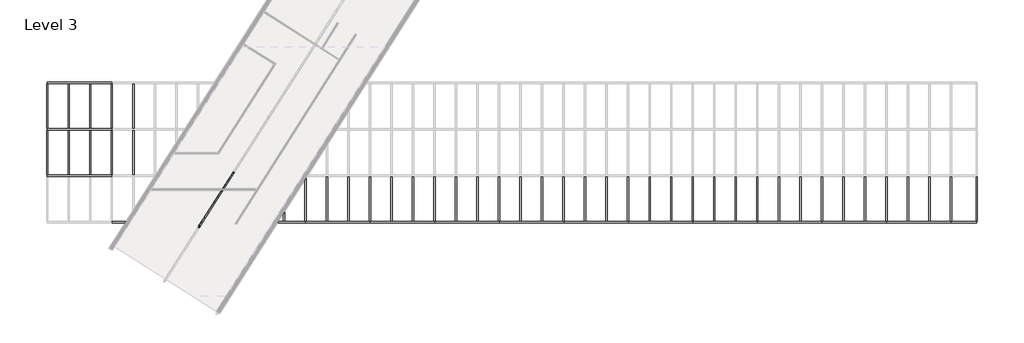
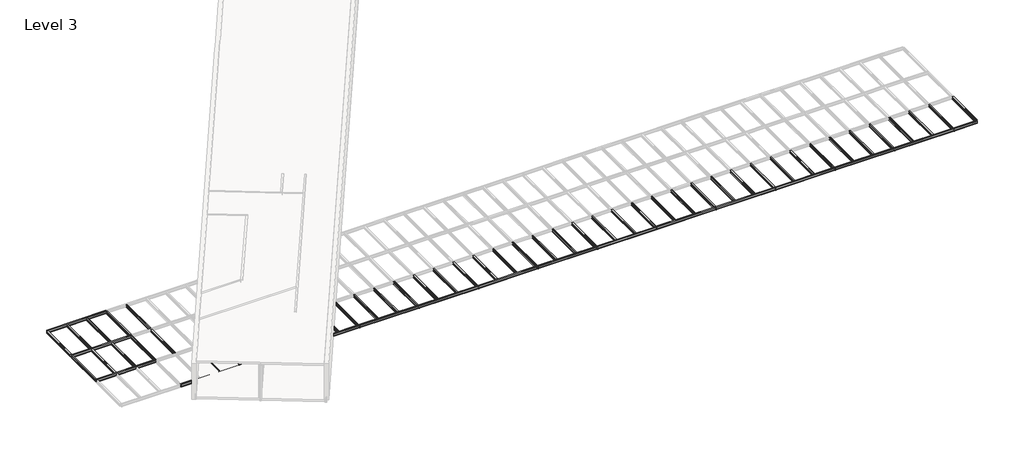
# One storey, part 2 of 7: 68 beams, 4 columns.
"""IFC4 building model written with IfcOpenShell, lengths in millimetres."""

import ifcopenshell
import ifcopenshell.guid

model = None  # the IFC model being written
_history = None  # IfcOwnerHistory: only IFC2X3 demands one
_inside = {}  # id of a spatial element -> (the spatial element, [elements in it])
_under = {}  # id of a project, library or spatial element -> (it, [spatial elements below it])
_declared = {}  # id of a project -> (the project, [libraries it declares])
_typed = {}  # id of a type object -> (the type object, [elements of that type])
_made_of = {}  # id of a material, layer set ... -> (it, [elements and type objects made of it])


def new_model(schema):
    """Start an empty IFC model of exactly this schema.

    Asked for "IFC4X3", IfcOpenShell would pick the latest addendum, in which some entities
    have other attributes; the version numbers below select the first issue.
    IFC2X3 requires an IfcOwnerHistory on every rooted entity: one is made here for all.
    """
    global model, _history
    if schema == "IFC4X3":
        model = ifcopenshell.file(schema_version=(4, 3, 0, 0))
    else:
        model = ifcopenshell.file(schema=schema)
    _inside.clear()
    _under.clear()
    _declared.clear()
    _typed.clear()
    _made_of.clear()
    _history = None
    if model.schema == "IFC2X3":
        org = make("IfcOrganization", Name="unknown")
        user = make(
            "IfcPersonAndOrganization",
            ThePerson=make("IfcPerson", FamilyName="unknown"),
            TheOrganization=org,
        )
        app = make(
            "IfcApplication",
            ApplicationDeveloper=org,
            Version="unknown",
            ApplicationFullName="unknown",
            ApplicationIdentifier="unknown",
        )
        _history = make(
            "IfcOwnerHistory",
            OwningUser=user,
            OwningApplication=app,
            ChangeAction="ADDED",
            CreationDate=0,
        )
    return model


def make(cls, **values):
    """One entity of the class cls with the attributes given. An attribute that is None is left unset."""
    return model.create_entity(
        cls, **{name: value for name, value in values.items() if value is not None}
    )


def rooted(cls, **values):
    """An entity with a GlobalId (a new one), such as an element, a storey or a relation."""
    return make(cls, GlobalId=ifcopenshell.guid.new(), OwnerHistory=_history, **values)


def si_unit(unit_type, name, prefix=None):
    """IfcSIUnit, for example si_unit("LENGTHUNIT", "METRE", prefix="MILLI")."""
    return make("IfcSIUnit", UnitType=unit_type, Prefix=prefix, Name=name)


def assignment(units):
    """IfcUnitAssignment: the units of a project."""
    return None if units is None else make("IfcUnitAssignment", Units=units)


def point(xyz):
    """IfcCartesianPoint."""
    return None if xyz is None else make("IfcCartesianPoint", Coordinates=xyz)


def direction(xyz):
    """IfcDirection."""
    return None if xyz is None else make("IfcDirection", DirectionRatios=xyz)


def frame(location, z_axis=None, x_axis=None):
    """IfcAxis2Placement3D, a coordinate frame: its origin and axes. An axis left out is left unset."""
    return make(
        "IfcAxis2Placement3D",
        Location=point(location),
        Axis=direction(z_axis),
        RefDirection=direction(x_axis),
    )


def frame_2d(location, x_axis=None):
    """IfcAxis2Placement2D, a coordinate frame in the plane: its origin and x axis."""
    return make(
        "IfcAxis2Placement2D", Location=point(location), RefDirection=direction(x_axis)
    )


def origin():
    """The frame at (0, 0, 0) with its axes left unset."""
    return frame((0.0, 0.0, 0.0))


def place(relative_to, where):
    """IfcLocalPlacement: puts the frame where relative to a parent placement (None: the world)."""
    return make(
        "IfcLocalPlacement", PlacementRelTo=relative_to, RelativePlacement=where
    )


def context(
    kind, dimensions, precision=None, world=None, true_north=None, identifier=None
):
    """IfcGeometricRepresentationContext, for example the 3D "Model" context."""
    return make(
        "IfcGeometricRepresentationContext",
        ContextIdentifier=identifier,
        ContextType=kind,
        CoordinateSpaceDimension=dimensions,
        Precision=precision,
        WorldCoordinateSystem=world,
        TrueNorth=true_north,
    )


def project(units=None, contexts=None):
    """IfcProject with its units and contexts."""
    return rooted(
        "IfcProject",
        Name="project",
        RepresentationContexts=contexts,
        UnitsInContext=assignment(units),
    )


def spatial(cls, under=None, at=None, **own):
    """A site, building, storey or space (cls), placed at a placement, below another one or the project."""
    s = rooted(cls, ObjectPlacement=at, **own)
    if under is not None:
        _under.setdefault(under.id(), (under, []))[1].append(s)
    return s


def polyline(points):
    """IfcPolyline through the points."""
    return make("IfcPolyline", Points=[point(p) for p in points])


def circle_curve(where, radius):
    """IfcCircle in the frame where."""
    return make("IfcCircle", Position=where, Radius=radius)


def trimmed(basis, trim1, trim2, sense, master):
    """IfcTrimmedCurve: the piece of a basis curve between two trims."""
    return make(
        "IfcTrimmedCurve",
        BasisCurve=basis,
        Trim1=trim1,
        Trim2=trim2,
        SenseAgreement=sense,
        MasterRepresentation=master,
    )


def segment(curve, same_sense, transition):
    """IfcCompositeCurveSegment."""
    return make(
        "IfcCompositeCurveSegment",
        Transition=transition,
        SameSense=same_sense,
        ParentCurve=curve,
    )


def composite_curve(segments, self_intersect=None):
    """IfcCompositeCurve: segments joined end to end."""
    return make("IfcCompositeCurve", Segments=segments, SelfIntersect=self_intersect)


def outline(outer, holes=None, kind="AREA"):
    """IfcArbitraryClosedProfileDef: a profile drawn as a closed curve; with holes, ...WithVoids."""
    if holes is None:
        return make("IfcArbitraryClosedProfileDef", ProfileType=kind, OuterCurve=outer)
    return make(
        "IfcArbitraryProfileDefWithVoids",
        ProfileType=kind,
        OuterCurve=outer,
        InnerCurves=holes,
    )


def extrude(swept, where, along, depth):
    """IfcExtrudedAreaSolid: the profile swept, set in the frame where, extruded along a direction by depth."""
    return make(
        "IfcExtrudedAreaSolid",
        SweptArea=swept,
        Position=where,
        ExtrudedDirection=direction(along),
        Depth=depth,
    )


def shape(context_of_items, identifier, shape_type, items):
    """IfcShapeRepresentation: the items that make up one representation, for example the "Body"."""
    return make(
        "IfcShapeRepresentation",
        ContextOfItems=context_of_items,
        RepresentationIdentifier=identifier,
        RepresentationType=shape_type,
        Items=items,
    )


def source(mapping_origin, context_of_items, identifier, shape_type, items):
    """IfcRepresentationMap: a shape defined once, which mapped items show again and again."""
    return make(
        "IfcRepresentationMap",
        MappingOrigin=mapping_origin,
        MappedRepresentation=shape(context_of_items, identifier, shape_type, items),
    )


def transform(
    local_origin,
    x_axis=None,
    y_axis=None,
    z_axis=None,
    scale=None,
    scale2=None,
    scale3=None,
    uniform=True,
):
    """IfcCartesianTransformationOperator3D, or its non-uniform kind. x_axis, y_axis, z_axis: its Axis1, 2, 3."""
    if uniform:
        return make(
            "IfcCartesianTransformationOperator3D",
            Axis1=direction(x_axis),
            Axis2=direction(y_axis),
            LocalOrigin=point(local_origin),
            Scale=scale,
            Axis3=direction(z_axis),
        )
    return make(
        "IfcCartesianTransformationOperator3DnonUniform",
        Axis1=direction(x_axis),
        Axis2=direction(y_axis),
        LocalOrigin=point(local_origin),
        Scale=scale,
        Axis3=direction(z_axis),
        Scale2=scale2,
        Scale3=scale3,
    )


def mapped(mapping_source, mapping_target):
    """IfcMappedItem: shows the shape of a source again, moved by a transform."""
    return make(
        "IfcMappedItem", MappingSource=mapping_source, MappingTarget=mapping_target
    )


def made_of(thing, what):
    """Note that an element or type object is made of a material, layer set ...; save() writes the relation."""
    if what is not None:
        _made_of.setdefault(what.id(), (what, []))[1].append(thing)
    return thing


def element(
    cls,
    number,
    at=None,
    inside=None,
    cuts=None,
    type_object=None,
    material=None,
    context=None,
    identifier="Body",
    shape_type=None,
    held_by="IfcProductDefinitionShape",
    body=None,
    shapes=None,
    **own,
):
    """One element of the class cls, such as IfcWall. Its Tag is "e" and its number.

    at: its placement. inside: the storey or other place that contains it. cuts: it is an
    opening in that element (IfcRelVoidsElement). A single representation is given by context,
    identifier, shape_type and body (its items); several are given by shapes. held_by: the class
    of the entity that holds the representations. save() writes the other relations.
    """
    e = rooted(cls, Tag="e%d" % number, ObjectPlacement=at, **own)
    if body is not None:
        shapes = [shape(context, identifier, shape_type, body)]
    if shapes is not None:
        e.Representation = make(held_by, Representations=shapes)
    if inside is not None:
        _inside.setdefault(inside.id(), (inside, []))[1].append(e)
    if cuts is not None:
        rooted(
            "IfcRelVoidsElement", RelatingBuildingElement=cuts, RelatedOpeningElement=e
        )
    if type_object is not None:
        _typed.setdefault(type_object.id(), (type_object, []))[1].append(e)
    return made_of(e, material)


def aggregate(whole, parts):
    """IfcRelAggregates: a whole, such as a stair, and the parts it consists of."""
    return rooted("IfcRelAggregates", RelatingObject=whole, RelatedObjects=parts)


def save(model, path):
    """Write the relations noted so far, then the file.

    IfcRelAggregates (storeys below a building ...), IfcRelContainedInSpatialStructure (elements
    in a storey), IfcRelDefinesByType, IfcRelAssociatesMaterial and IfcRelDeclares: one each for
    every whole, place, type object, material and project.
    """
    for whole, parts in _under.values():
        aggregate(whole, parts)
    for where, things in _inside.values():
        rooted(
            "IfcRelContainedInSpatialStructure",
            RelatedElements=things,
            RelatingStructure=where,
        )
    for kind, things in _typed.values():
        rooted("IfcRelDefinesByType", RelatedObjects=things, RelatingType=kind)
    for what, things in _made_of.values():
        rooted("IfcRelAssociatesMaterial", RelatedObjects=things, RelatingMaterial=what)
    for by, libraries in _declared.values():
        rooted("IfcRelDeclares", RelatingContext=by, RelatedDefinitions=libraries)
    model.write(path)


def w_shapes_w12x26_15bb6a58(model_context):
    return source(origin(), model_context, "Body", "SweptSolid", [
        extrude(outline(composite_curve([segment(polyline([(82.423, -145.288), (82.423, -154.94), (-82.423, -154.94), (-82.423, -145.288), (-10.541, -145.288)]), True, "CONTINUOUS"), segment(trimmed(circle_curve(frame_2d((-10.541, -137.668)), 7.62), [point((-10.541, -145.288))], [point((-2.921, -137.668))], True, "CARTESIAN"), True, "CONTINUOUS"), segment(polyline([(-2.921, -137.668), (-2.921, 137.668)]), True, "CONTINUOUS"), segment(trimmed(circle_curve(frame_2d((-10.541, 137.668)), 7.62), [point((-2.921, 137.668))], [point((-10.541, 145.288))], True, "CARTESIAN"), True, "CONTINUOUS"), segment(polyline([(-10.541, 145.288), (-82.423, 145.288), (-82.423, 154.94), (82.423, 154.94), (82.423, 145.288), (10.541, 145.288)]), True, "CONTINUOUS"), segment(trimmed(circle_curve(frame_2d((10.541, 137.668)), 7.62), [point((10.541, 145.288))], [point((2.921, 137.668))], True, "CARTESIAN"), True, "CONTINUOUS"), segment(polyline([(2.921, 137.668), (2.921, -137.668)]), True, "CONTINUOUS"), segment(trimmed(circle_curve(frame_2d((10.541, -137.668)), 7.62), [point((2.921, -137.668))], [point((10.541, -145.288))], True, "CARTESIAN"), True, "CONTINUOUS"), segment(polyline([(10.541, -145.288), (82.423, -145.288)]), True, "CONTINUOUS")], self_intersect=False)), frame((-3810.0, 0.0, 0.0), z_axis=(1.0, 0.0, 0.0), x_axis=(0.0, 1.0, 0.0)), (0.0, 0.0, 1.0), 7620.0),
    ])


def w_shapes_w12x26_b350d091(model_context):
    return source(origin(), model_context, "Body", "SweptSolid", [
        extrude(outline(composite_curve([segment(polyline([(82.423, -145.288), (82.423, -154.94), (-82.423, -154.94), (-82.423, -145.288), (-10.541, -145.288)]), True, "CONTINUOUS"), segment(trimmed(circle_curve(frame_2d((-10.541, -137.668)), 7.62), [point((-10.541, -145.288))], [point((-2.921, -137.668))], True, "CARTESIAN"), True, "CONTINUOUS"), segment(polyline([(-2.921, -137.668), (-2.921, 137.668)]), True, "CONTINUOUS"), segment(trimmed(circle_curve(frame_2d((-10.541, 137.668)), 7.62), [point((-2.921, 137.668))], [point((-10.541, 145.288))], True, "CARTESIAN"), True, "CONTINUOUS"), segment(polyline([(-10.541, 145.288), (-82.423, 145.288), (-82.423, 154.94), (82.423, 154.94), (82.423, 145.288), (10.541, 145.288)]), True, "CONTINUOUS"), segment(trimmed(circle_curve(frame_2d((10.541, 137.668)), 7.62), [point((10.541, 145.288))], [point((2.921, 137.668))], True, "CARTESIAN"), True, "CONTINUOUS"), segment(polyline([(2.921, 137.668), (2.921, -137.668)]), True, "CONTINUOUS"), segment(trimmed(circle_curve(frame_2d((10.541, -137.668)), 7.62), [point((2.921, -137.668))], [point((10.541, -145.288))], True, "CARTESIAN"), True, "CONTINUOUS"), segment(polyline([(10.541, -145.288), (82.423, -145.288)]), True, "CONTINUOUS")], self_intersect=False)), frame((-3806.317, 0.0, 0.0), z_axis=(1.0, 0.0, 0.0), x_axis=(0.0, 1.0, 0.0)), (0.0, 0.0, 1.0), 7612.634),
    ])


def w_shapes_w12x26_b69ed682(model_context):
    return source(origin(), model_context, "Body", "SweptSolid", [
        extrude(outline(composite_curve([segment(polyline([(82.423, -145.288), (82.423, -154.94), (-82.423, -154.94), (-82.423, -145.288), (-10.541, -145.288)]), True, "CONTINUOUS"), segment(trimmed(circle_curve(frame_2d((-10.541, -137.668)), 7.62), [point((-10.541, -145.288))], [point((-2.921, -137.668))], True, "CARTESIAN"), True, "CONTINUOUS"), segment(polyline([(-2.921, -137.668), (-2.921, 137.668)]), True, "CONTINUOUS"), segment(trimmed(circle_curve(frame_2d((-10.541, 137.668)), 7.62), [point((-2.921, 137.668))], [point((-10.541, 145.288))], True, "CARTESIAN"), True, "CONTINUOUS"), segment(polyline([(-10.541, 145.288), (-82.423, 145.288), (-82.423, 154.94), (82.423, 154.94), (82.423, 145.288), (10.541, 145.288)]), True, "CONTINUOUS"), segment(trimmed(circle_curve(frame_2d((10.541, 137.668)), 7.62), [point((10.541, 145.288))], [point((2.921, 137.668))], True, "CARTESIAN"), True, "CONTINUOUS"), segment(polyline([(2.921, 137.668), (2.921, -137.668)]), True, "CONTINUOUS"), segment(trimmed(circle_curve(frame_2d((10.541, -137.668)), 7.62), [point((2.921, -137.668))], [point((10.541, -145.288))], True, "CARTESIAN"), True, "CONTINUOUS"), segment(polyline([(10.541, -145.288), (82.423, -145.288)]), True, "CONTINUOUS")], self_intersect=False)), frame((-1520.317, 0.0, 0.0), z_axis=(1.0, 0.0, 0.0), x_axis=(0.0, 1.0, 0.0)), (0.0, 0.0, 1.0), 3040.634),
    ])


def w_shapes_w12x26_5f224e7e(model_context):
    return source(origin(), model_context, "Body", "SweptSolid", [
        extrude(outline(composite_curve([segment(polyline([(82.423, -145.288), (82.423, -154.94), (-82.423, -154.94), (-82.423, -145.288), (-10.541, -145.288)]), True, "CONTINUOUS"), segment(trimmed(circle_curve(frame_2d((-10.541, -137.668)), 7.62), [point((-10.541, -145.288))], [point((-2.921, -137.668))], True, "CARTESIAN"), True, "CONTINUOUS"), segment(polyline([(-2.921, -137.668), (-2.921, 137.668)]), True, "CONTINUOUS"), segment(trimmed(circle_curve(frame_2d((-10.541, 137.668)), 7.62), [point((-2.921, 137.668))], [point((-10.541, 145.288))], True, "CARTESIAN"), True, "CONTINUOUS"), segment(polyline([(-10.541, 145.288), (-82.423, 145.288), (-82.423, 154.94), (82.423, 154.94), (82.423, 145.288), (10.541, 145.288)]), True, "CONTINUOUS"), segment(trimmed(circle_curve(frame_2d((10.541, 137.668)), 7.62), [point((10.541, 145.288))], [point((2.921, 137.668))], True, "CARTESIAN"), True, "CONTINUOUS"), segment(polyline([(2.921, 137.668), (2.921, -137.668)]), True, "CONTINUOUS"), segment(trimmed(circle_curve(frame_2d((10.541, -137.668)), 7.62), [point((2.921, -137.668))], [point((10.541, -145.288))], True, "CARTESIAN"), True, "CONTINUOUS"), segment(polyline([(10.541, -145.288), (82.423, -145.288)]), True, "CONTINUOUS")], self_intersect=False)), frame((-2619.629, 0.0, 0.0), z_axis=(1.0, 0.0, 0.0), x_axis=(0.0, 1.0, 0.0)), (0.0, 0.0, 1.0), 5239.258),
    ])


model = new_model("IFC4")

# Units and contexts
model_context = context("Model", 3, world=origin())
ifc_project = project(units=[si_unit("LENGTHUNIT", "METRE", prefix="MILLI")], contexts=[model_context])

# Site, building, storey
site = spatial("IfcSite", under=ifc_project)
building = spatial("IfcBuilding", under=site)
storey = spatial("IfcBuildingStorey", under=building, Name="Level 3", Elevation=9753.6)

# Beams
placement = place(None, origin())
w_shapes_w12x26_shape = w_shapes_w12x26_15bb6a58(model_context)
element("IfcBeam", 1, ObjectType="W Shapes : W12X26", at=placement, inside=storey, context=model_context, shape_type="MappedRepresentation", body=[
    mapped(w_shapes_w12x26_shape, transform((543872.6391452, 185601.4054902, 9753.6), x_axis=(-0.536235508408264, -0.8440684092667671, 0.0), y_axis=(0.8440684092667671, -0.536235508408264, 0.0), z_axis=(0.0, 0.0, 1.0))),
])
element("IfcBeam", 2, ObjectType="W Shapes : W12X26", at=placement, inside=storey, context=model_context, shape_type="MappedRepresentation", body=[
    mapped(w_shapes_w12x26_shape, transform((537719.5492553, 189510.4550994, 9753.6), x_axis=(-0.5362355084082572, -0.8440684092667714, 0.0), y_axis=(0.8440684092667714, -0.5362355084082572, 0.0), z_axis=(0.0, 0.0, 1.0))),
])
w_shapes_w12x26_2_shape = w_shapes_w12x26_b350d091(model_context)
element("IfcBeam", 3, ObjectType="W Shapes : W12X26", at=placement, inside=storey, context=model_context, shape_type="MappedRepresentation", body=[
    mapped(w_shapes_w12x26_2_shape, transform((529185.8755041, 186823.9327561, 9598.66), x_axis=(-1.0, 0.0, 0.0), y_axis=(0.0, -1.0, 0.0), z_axis=(0.0, 0.0, 1.0))),
])
element("IfcBeam", 4, ObjectType="W Shapes : W12X26", at=placement, inside=storey, context=model_context, shape_type="MappedRepresentation", body=[
    mapped(w_shapes_w12x26_2_shape, transform((536805.8755041, 186823.9327561, 9598.66), x_axis=(-1.0, 0.0, 0.0), y_axis=(0.0, -1.0, 0.0), z_axis=(0.0, 0.0, 1.0))),
])
element("IfcBeam", 5, ObjectType="W Shapes : W12X26", at=placement, inside=storey, context=model_context, shape_type="MappedRepresentation", body=[
    mapped(w_shapes_w12x26_2_shape, transform((544425.8755041, 186823.9327561, 9598.66), x_axis=(-1.0, 0.0, 0.0), y_axis=(0.0, -1.0, 0.0), z_axis=(0.0, 0.0, 1.0))),
])
element("IfcBeam", 6, ObjectType="W Shapes : W12X26", at=placement, inside=storey, context=model_context, shape_type="MappedRepresentation", body=[
    mapped(w_shapes_w12x26_2_shape, transform((552045.8755041, 186823.9327561, 9598.66), x_axis=(-1.0, 0.0, 0.0), y_axis=(0.0, -1.0, 0.0), z_axis=(0.0, 0.0, 1.0))),
])
element("IfcBeam", 7, ObjectType="W Shapes : W12X26", at=placement, inside=storey, context=model_context, shape_type="MappedRepresentation", body=[
    mapped(w_shapes_w12x26_2_shape, transform((559665.8755041, 186823.9327561, 9598.66), x_axis=(-1.0, 0.0, 0.0), y_axis=(0.0, -1.0, 0.0), z_axis=(0.0, 0.0, 1.0))),
])
element("IfcBeam", 8, ObjectType="W Shapes : W12X26", at=placement, inside=storey, context=model_context, shape_type="MappedRepresentation", body=[
    mapped(w_shapes_w12x26_2_shape, transform((567285.8755041, 186823.9327561, 9598.66), x_axis=(-1.0, 0.0, 0.0), y_axis=(0.0, -1.0, 0.0), z_axis=(0.0, 0.0, 1.0))),
])
element("IfcBeam", 9, ObjectType="W Shapes : W12X26", at=placement, inside=storey, context=model_context, shape_type="MappedRepresentation", body=[
    mapped(w_shapes_w12x26_2_shape, transform((574905.8755041, 186823.9327561, 9598.66), x_axis=(-1.0, 0.0, 0.0), y_axis=(0.0, -1.0, 0.0), z_axis=(0.0, 0.0, 1.0))),
])
element("IfcBeam", 10, ObjectType="W Shapes : W12X26", at=placement, inside=storey, context=model_context, shape_type="MappedRepresentation", body=[
    mapped(w_shapes_w12x26_2_shape, transform((582525.8755041, 186823.9327561, 9598.66), x_axis=(-1.0, 0.0, 0.0), y_axis=(0.0, -1.0, 0.0), z_axis=(0.0, 0.0, 1.0))),
])
element("IfcBeam", 11, ObjectType="W Shapes : W12X26", at=placement, inside=storey, context=model_context, shape_type="MappedRepresentation", body=[
    mapped(w_shapes_w12x26_2_shape, transform((590145.8755041, 186823.9327561, 9598.66), x_axis=(-1.0, 0.0, 0.0), y_axis=(0.0, -1.0, 0.0), z_axis=(0.0, 0.0, 1.0))),
])
element("IfcBeam", 12, ObjectType="W Shapes : W12X26", at=placement, inside=storey, context=model_context, shape_type="MappedRepresentation", body=[
    mapped(w_shapes_w12x26_2_shape, transform((597765.8755041, 186823.9327561, 9598.66), x_axis=(-1.0, 0.0, 0.0), y_axis=(0.0, -1.0, 0.0), z_axis=(0.0, 0.0, 1.0))),
])
element("IfcBeam", 13, ObjectType="W Shapes : W12X26", at=placement, inside=storey, context=model_context, shape_type="MappedRepresentation", body=[
    mapped(w_shapes_w12x26_2_shape, transform((605385.8755041, 186823.9327561, 9598.66), x_axis=(-1.0, 0.0, 0.0), y_axis=(0.0, -1.0, 0.0), z_axis=(0.0, 0.0, 1.0))),
])
element("IfcBeam", 14, ObjectType="W Shapes : W12X26", at=placement, inside=storey, context=model_context, shape_type="MappedRepresentation", body=[
    mapped(w_shapes_w12x26_2_shape, transform((613005.8755041, 186823.9327561, 9598.66), x_axis=(-1.0, 0.0, 0.0), y_axis=(0.0, -1.0, 0.0), z_axis=(0.0, 0.0, 1.0))),
])
element("IfcBeam", 15, ObjectType="W Shapes : W12X26", at=placement, inside=storey, context=model_context, shape_type="MappedRepresentation", body=[
    mapped(w_shapes_w12x26_2_shape, transform((620625.8755041, 186823.9327561, 9598.66), x_axis=(-1.0, 0.0, 0.0), y_axis=(0.0, -1.0, 0.0), z_axis=(0.0, 0.0, 1.0))),
])
element("IfcBeam", 16, ObjectType="W Shapes : W12X26", at=placement, inside=storey, context=model_context, shape_type="MappedRepresentation", body=[
    mapped(w_shapes_w12x26_2_shape, transform((521565.8755041, 192310.3327561, 9598.66), x_axis=(-1.0, 0.0, 0.0), y_axis=(0.0, -1.0, 0.0), z_axis=(0.0, 0.0, 1.0))),
])
element("IfcBeam", 17, ObjectType="W Shapes : W12X26", at=placement, inside=storey, context=model_context, shape_type="MappedRepresentation", body=[
    mapped(w_shapes_w12x26_2_shape, transform((521565.8755041, 197796.7327561, 9598.66), x_axis=(-1.0, 0.0, 0.0), y_axis=(0.0, -1.0, 0.0), z_axis=(0.0, 0.0, 1.0))),
])
element("IfcBeam", 18, ObjectType="W Shapes : W12X26", at=placement, inside=storey, context=model_context, shape_type="MappedRepresentation", body=[
    mapped(w_shapes_w12x26_2_shape, transform((521565.8755041, 203283.1327561, 9598.66), x_axis=(-1.0, 0.0, 0.0), y_axis=(0.0, -1.0, 0.0), z_axis=(0.0, 0.0, 1.0))),
])
w_shapes_w12x26_3_shape = w_shapes_w12x26_b69ed682(model_context)
element("IfcBeam", 19, ObjectType="W Shapes : W12X26", at=placement, inside=storey, context=model_context, shape_type="MappedRepresentation", body=[
    mapped(w_shapes_w12x26_3_shape, transform((625959.8755041, 186823.9327561, 9598.66), x_axis=(-1.0, 0.0, 0.0), y_axis=(0.0, -1.0, 0.0), z_axis=(0.0, 0.0, 1.0))),
])
w_shapes_w12x26_4_shape = w_shapes_w12x26_5f224e7e(model_context)
element("IfcBeam", 20, ObjectType="W Shapes : W12X26", at=placement, inside=storey, context=model_context, shape_type="MappedRepresentation", body=[
    mapped(w_shapes_w12x26_4_shape, transform((522834.6478374, 195053.5327561, 9593.58), x_axis=(0.0, 1.0, 0.0), y_axis=(-1.0, 0.0, 0.0), z_axis=(0.0, 0.0, 1.0))),
])
element("IfcBeam", 21, ObjectType="W Shapes : W12X26", at=placement, inside=storey, context=model_context, shape_type="MappedRepresentation", body=[
    mapped(w_shapes_w12x26_4_shape, transform((522834.6478374, 200539.9327561, 9593.58), x_axis=(0.0, 1.0, 0.0), y_axis=(-1.0, 0.0, 0.0), z_axis=(0.0, 0.0, 1.0))),
])
element("IfcBeam", 22, ObjectType="W Shapes : W12X26", at=placement, inside=storey, context=model_context, shape_type="MappedRepresentation", body=[
    mapped(w_shapes_w12x26_4_shape, transform((520297.1031707, 195053.5327561, 9593.58), x_axis=(0.0, 1.0, 0.0), y_axis=(-1.0, 0.0, 0.0), z_axis=(0.0, 0.0, 1.0))),
])
element("IfcBeam", 23, ObjectType="W Shapes : W12X26", at=placement, inside=storey, context=model_context, shape_type="MappedRepresentation", body=[
    mapped(w_shapes_w12x26_4_shape, transform((520297.1031707, 200539.9327561, 9593.58), x_axis=(0.0, 1.0, 0.0), y_axis=(-1.0, 0.0, 0.0), z_axis=(0.0, 0.0, 1.0))),
])
element("IfcBeam", 24, ObjectType="W Shapes : W12X26", at=placement, inside=storey, context=model_context, shape_type="MappedRepresentation", body=[
    mapped(w_shapes_w12x26_4_shape, transform((530454.6478374, 189567.1327561, 9593.58), x_axis=(0.0, 1.0, 0.0), y_axis=(-1.0, 0.0, 0.0), z_axis=(0.0, 0.0, 1.0))),
])
element("IfcBeam", 25, ObjectType="W Shapes : W12X26", at=placement, inside=storey, context=model_context, shape_type="MappedRepresentation", body=[
    mapped(w_shapes_w12x26_4_shape, transform((527917.1031707, 195053.5327561, 9593.58), x_axis=(0.0, 1.0, 0.0), y_axis=(-1.0, 0.0, 0.0), z_axis=(0.0, 0.0, 1.0))),
])
element("IfcBeam", 26, ObjectType="W Shapes : W12X26", at=placement, inside=storey, context=model_context, shape_type="MappedRepresentation", body=[
    mapped(w_shapes_w12x26_4_shape, transform((527917.1031707, 200539.9327561, 9593.58), x_axis=(0.0, 1.0, 0.0), y_axis=(-1.0, 0.0, 0.0), z_axis=(0.0, 0.0, 1.0))),
])
element("IfcBeam", 27, ObjectType="W Shapes : W12X26", at=placement, inside=storey, context=model_context, shape_type="MappedRepresentation", body=[
    mapped(w_shapes_w12x26_4_shape, transform((538074.6478374, 189567.1327561, 9593.58), x_axis=(0.0, 1.0, 0.0), y_axis=(-1.0, 0.0, 0.0), z_axis=(0.0, 0.0, 1.0))),
])
element("IfcBeam", 28, ObjectType="W Shapes : W12X26", at=placement, inside=storey, context=model_context, shape_type="MappedRepresentation", body=[
    mapped(w_shapes_w12x26_4_shape, transform((535537.1031707, 189567.1327561, 9593.58), x_axis=(0.0, 1.0, 0.0), y_axis=(-1.0, 0.0, 0.0), z_axis=(0.0, 0.0, 1.0))),
])
element("IfcBeam", 29, ObjectType="W Shapes : W12X26", at=placement, inside=storey, context=model_context, shape_type="MappedRepresentation", body=[
    mapped(w_shapes_w12x26_4_shape, transform((545694.6478374, 189567.1327561, 9593.58), x_axis=(0.0, 1.0, 0.0), y_axis=(-1.0, 0.0, 0.0), z_axis=(0.0, 0.0, 1.0))),
])
element("IfcBeam", 30, ObjectType="W Shapes : W12X26", at=placement, inside=storey, context=model_context, shape_type="MappedRepresentation", body=[
    mapped(w_shapes_w12x26_4_shape, transform((543157.1031707, 189567.1327561, 9593.58), x_axis=(0.0, 1.0, 0.0), y_axis=(-1.0, 0.0, 0.0), z_axis=(0.0, 0.0, 1.0))),
])
element("IfcBeam", 31, ObjectType="W Shapes : W12X26", at=placement, inside=storey, context=model_context, shape_type="MappedRepresentation", body=[
    mapped(w_shapes_w12x26_4_shape, transform((553314.6478374, 189567.1327561, 9593.58), x_axis=(0.0, 1.0, 0.0), y_axis=(-1.0, 0.0, 0.0), z_axis=(0.0, 0.0, 1.0))),
])
element("IfcBeam", 32, ObjectType="W Shapes : W12X26", at=placement, inside=storey, context=model_context, shape_type="MappedRepresentation", body=[
    mapped(w_shapes_w12x26_4_shape, transform((550777.1031707, 189567.1327561, 9593.58), x_axis=(0.0, 1.0, 0.0), y_axis=(-1.0, 0.0, 0.0), z_axis=(0.0, 0.0, 1.0))),
])
element("IfcBeam", 33, ObjectType="W Shapes : W12X26", at=placement, inside=storey, context=model_context, shape_type="MappedRepresentation", body=[
    mapped(w_shapes_w12x26_4_shape, transform((560934.6478374, 189567.1327561, 9593.58), x_axis=(0.0, 1.0, 0.0), y_axis=(-1.0, 0.0, 0.0), z_axis=(0.0, 0.0, 1.0))),
])
element("IfcBeam", 34, ObjectType="W Shapes : W12X26", at=placement, inside=storey, context=model_context, shape_type="MappedRepresentation", body=[
    mapped(w_shapes_w12x26_4_shape, transform((558397.1031707, 189567.1327561, 9593.58), x_axis=(0.0, 1.0, 0.0), y_axis=(-1.0, 0.0, 0.0), z_axis=(0.0, 0.0, 1.0))),
])
element("IfcBeam", 35, ObjectType="W Shapes : W12X26", at=placement, inside=storey, context=model_context, shape_type="MappedRepresentation", body=[
    mapped(w_shapes_w12x26_4_shape, transform((568554.6478374, 189567.1327561, 9593.58), x_axis=(0.0, 1.0, 0.0), y_axis=(-1.0, 0.0, 0.0), z_axis=(0.0, 0.0, 1.0))),
])
element("IfcBeam", 36, ObjectType="W Shapes : W12X26", at=placement, inside=storey, context=model_context, shape_type="MappedRepresentation", body=[
    mapped(w_shapes_w12x26_4_shape, transform((566017.1031707, 189567.1327561, 9593.58), x_axis=(0.0, 1.0, 0.0), y_axis=(-1.0, 0.0, 0.0), z_axis=(0.0, 0.0, 1.0))),
])
element("IfcBeam", 37, ObjectType="W Shapes : W12X26", at=placement, inside=storey, context=model_context, shape_type="MappedRepresentation", body=[
    mapped(w_shapes_w12x26_4_shape, transform((576174.6478374, 189567.1327561, 9593.58), x_axis=(0.0, 1.0, 0.0), y_axis=(-1.0, 0.0, 0.0), z_axis=(0.0, 0.0, 1.0))),
])
element("IfcBeam", 38, ObjectType="W Shapes : W12X26", at=placement, inside=storey, context=model_context, shape_type="MappedRepresentation", body=[
    mapped(w_shapes_w12x26_4_shape, transform((573637.1031707, 189567.1327561, 9593.58), x_axis=(0.0, 1.0, 0.0), y_axis=(-1.0, 0.0, 0.0), z_axis=(0.0, 0.0, 1.0))),
])
element("IfcBeam", 39, ObjectType="W Shapes : W12X26", at=placement, inside=storey, context=model_context, shape_type="MappedRepresentation", body=[
    mapped(w_shapes_w12x26_4_shape, transform((583794.6478374, 189567.1327561, 9593.58), x_axis=(0.0, 1.0, 0.0), y_axis=(-1.0, 0.0, 0.0), z_axis=(0.0, 0.0, 1.0))),
])
element("IfcBeam", 40, ObjectType="W Shapes : W12X26", at=placement, inside=storey, context=model_context, shape_type="MappedRepresentation", body=[
    mapped(w_shapes_w12x26_4_shape, transform((581257.1031707, 189567.1327561, 9593.58), x_axis=(0.0, 1.0, 0.0), y_axis=(-1.0, 0.0, 0.0), z_axis=(0.0, 0.0, 1.0))),
])
element("IfcBeam", 41, ObjectType="W Shapes : W12X26", at=placement, inside=storey, context=model_context, shape_type="MappedRepresentation", body=[
    mapped(w_shapes_w12x26_4_shape, transform((591414.6478374, 189567.1327561, 9593.58), x_axis=(0.0, 1.0, 0.0), y_axis=(-1.0, 0.0, 0.0), z_axis=(0.0, 0.0, 1.0))),
])
element("IfcBeam", 42, ObjectType="W Shapes : W12X26", at=placement, inside=storey, context=model_context, shape_type="MappedRepresentation", body=[
    mapped(w_shapes_w12x26_4_shape, transform((588877.1031707, 189567.1327561, 9593.58), x_axis=(0.0, 1.0, 0.0), y_axis=(-1.0, 0.0, 0.0), z_axis=(0.0, 0.0, 1.0))),
])
element("IfcBeam", 43, ObjectType="W Shapes : W12X26", at=placement, inside=storey, context=model_context, shape_type="MappedRepresentation", body=[
    mapped(w_shapes_w12x26_4_shape, transform((599034.6478374, 189567.1327561, 9593.58), x_axis=(0.0, 1.0, 0.0), y_axis=(-1.0, 0.0, 0.0), z_axis=(0.0, 0.0, 1.0))),
])
element("IfcBeam", 44, ObjectType="W Shapes : W12X26", at=placement, inside=storey, context=model_context, shape_type="MappedRepresentation", body=[
    mapped(w_shapes_w12x26_4_shape, transform((596497.1031707, 189567.1327561, 9593.58), x_axis=(0.0, 1.0, 0.0), y_axis=(-1.0, 0.0, 0.0), z_axis=(0.0, 0.0, 1.0))),
])
element("IfcBeam", 45, ObjectType="W Shapes : W12X26", at=placement, inside=storey, context=model_context, shape_type="MappedRepresentation", body=[
    mapped(w_shapes_w12x26_4_shape, transform((606654.6478374, 189567.1327561, 9593.58), x_axis=(0.0, 1.0, 0.0), y_axis=(-1.0, 0.0, 0.0), z_axis=(0.0, 0.0, 1.0))),
])
element("IfcBeam", 46, ObjectType="W Shapes : W12X26", at=placement, inside=storey, context=model_context, shape_type="MappedRepresentation", body=[
    mapped(w_shapes_w12x26_4_shape, transform((604117.1031707, 189567.1327561, 9593.58), x_axis=(0.0, 1.0, 0.0), y_axis=(-1.0, 0.0, 0.0), z_axis=(0.0, 0.0, 1.0))),
])
element("IfcBeam", 47, ObjectType="W Shapes : W12X26", at=placement, inside=storey, context=model_context, shape_type="MappedRepresentation", body=[
    mapped(w_shapes_w12x26_4_shape, transform((614274.6478374, 189567.1327561, 9593.58), x_axis=(0.0, 1.0, 0.0), y_axis=(-1.0, 0.0, 0.0), z_axis=(0.0, 0.0, 1.0))),
])
element("IfcBeam", 48, ObjectType="W Shapes : W12X26", at=placement, inside=storey, context=model_context, shape_type="MappedRepresentation", body=[
    mapped(w_shapes_w12x26_4_shape, transform((611737.1031707, 189567.1327561, 9593.58), x_axis=(0.0, 1.0, 0.0), y_axis=(-1.0, 0.0, 0.0), z_axis=(0.0, 0.0, 1.0))),
])
element("IfcBeam", 49, ObjectType="W Shapes : W12X26", at=placement, inside=storey, context=model_context, shape_type="MappedRepresentation", body=[
    mapped(w_shapes_w12x26_4_shape, transform((621894.6478374, 189567.1327561, 9593.58), x_axis=(0.0, 1.0, 0.0), y_axis=(-1.0, 0.0, 0.0), z_axis=(0.0, 0.0, 1.0))),
])
element("IfcBeam", 50, ObjectType="W Shapes : W12X26", at=placement, inside=storey, context=model_context, shape_type="MappedRepresentation", body=[
    mapped(w_shapes_w12x26_4_shape, transform((619357.1031707, 189567.1327561, 9593.58), x_axis=(0.0, 1.0, 0.0), y_axis=(-1.0, 0.0, 0.0), z_axis=(0.0, 0.0, 1.0))),
])
element("IfcBeam", 51, ObjectType="W Shapes : W12X26", at=placement, inside=storey, context=model_context, shape_type="MappedRepresentation", body=[
    mapped(w_shapes_w12x26_4_shape, transform((525375.8755041, 195053.5327561, 9598.66), x_axis=(0.0, 1.0, 0.0), y_axis=(-1.0, 0.0, 0.0), z_axis=(0.0, 0.0, 1.0))),
])
element("IfcBeam", 52, ObjectType="W Shapes : W12X26", at=placement, inside=storey, context=model_context, shape_type="MappedRepresentation", body=[
    mapped(w_shapes_w12x26_4_shape, transform((525375.8755041, 200539.9327561, 9598.66), x_axis=(0.0, 1.0, 0.0), y_axis=(-1.0, 0.0, 0.0), z_axis=(0.0, 0.0, 1.0))),
])
element("IfcBeam", 53, ObjectType="W Shapes : W12X26", at=placement, inside=storey, context=model_context, shape_type="MappedRepresentation", body=[
    mapped(w_shapes_w12x26_4_shape, transform((532995.8755041, 189567.1327561, 9598.66), x_axis=(0.0, 1.0, 0.0), y_axis=(-1.0, 0.0, 0.0), z_axis=(0.0, 0.0, 1.0))),
])
element("IfcBeam", 54, ObjectType="W Shapes : W12X26", at=placement, inside=storey, context=model_context, shape_type="MappedRepresentation", body=[
    mapped(w_shapes_w12x26_4_shape, transform((540615.8755041, 189567.1327561, 9598.66), x_axis=(0.0, 1.0, 0.0), y_axis=(-1.0, 0.0, 0.0), z_axis=(0.0, 0.0, 1.0))),
])
element("IfcBeam", 55, ObjectType="W Shapes : W12X26", at=placement, inside=storey, context=model_context, shape_type="MappedRepresentation", body=[
    mapped(w_shapes_w12x26_4_shape, transform((548235.8755041, 189567.1327561, 9598.66), x_axis=(0.0, 1.0, 0.0), y_axis=(-1.0, 0.0, 0.0), z_axis=(0.0, 0.0, 1.0))),
])
element("IfcBeam", 56, ObjectType="W Shapes : W12X26", at=placement, inside=storey, context=model_context, shape_type="MappedRepresentation", body=[
    mapped(w_shapes_w12x26_4_shape, transform((555855.8755041, 189567.1327561, 9598.66), x_axis=(0.0, 1.0, 0.0), y_axis=(-1.0, 0.0, 0.0), z_axis=(0.0, 0.0, 1.0))),
])
element("IfcBeam", 57, ObjectType="W Shapes : W12X26", at=placement, inside=storey, context=model_context, shape_type="MappedRepresentation", body=[
    mapped(w_shapes_w12x26_4_shape, transform((563475.8755041, 189567.1327561, 9598.66), x_axis=(0.0, 1.0, 0.0), y_axis=(-1.0, 0.0, 0.0), z_axis=(0.0, 0.0, 1.0))),
])
element("IfcBeam", 58, ObjectType="W Shapes : W12X26", at=placement, inside=storey, context=model_context, shape_type="MappedRepresentation", body=[
    mapped(w_shapes_w12x26_4_shape, transform((571095.8755041, 189567.1327561, 9598.66), x_axis=(0.0, 1.0, 0.0), y_axis=(-1.0, 0.0, 0.0), z_axis=(0.0, 0.0, 1.0))),
])
element("IfcBeam", 59, ObjectType="W Shapes : W12X26", at=placement, inside=storey, context=model_context, shape_type="MappedRepresentation", body=[
    mapped(w_shapes_w12x26_4_shape, transform((578715.8755041, 189567.1327561, 9598.66), x_axis=(0.0, 1.0, 0.0), y_axis=(-1.0, 0.0, 0.0), z_axis=(0.0, 0.0, 1.0))),
])
element("IfcBeam", 60, ObjectType="W Shapes : W12X26", at=placement, inside=storey, context=model_context, shape_type="MappedRepresentation", body=[
    mapped(w_shapes_w12x26_4_shape, transform((586335.8755041, 189567.1327561, 9598.66), x_axis=(0.0, 1.0, 0.0), y_axis=(-1.0, 0.0, 0.0), z_axis=(0.0, 0.0, 1.0))),
])
element("IfcBeam", 61, ObjectType="W Shapes : W12X26", at=placement, inside=storey, context=model_context, shape_type="MappedRepresentation", body=[
    mapped(w_shapes_w12x26_4_shape, transform((593955.8755041, 189567.1327561, 9598.66), x_axis=(0.0, 1.0, 0.0), y_axis=(-1.0, 0.0, 0.0), z_axis=(0.0, 0.0, 1.0))),
])
element("IfcBeam", 62, ObjectType="W Shapes : W12X26", at=placement, inside=storey, context=model_context, shape_type="MappedRepresentation", body=[
    mapped(w_shapes_w12x26_4_shape, transform((601575.8755041, 189567.1327561, 9598.66), x_axis=(0.0, 1.0, 0.0), y_axis=(-1.0, 0.0, 0.0), z_axis=(0.0, 0.0, 1.0))),
])
element("IfcBeam", 63, ObjectType="W Shapes : W12X26", at=placement, inside=storey, context=model_context, shape_type="MappedRepresentation", body=[
    mapped(w_shapes_w12x26_4_shape, transform((609195.8755041, 189567.1327561, 9598.66), x_axis=(0.0, 1.0, 0.0), y_axis=(-1.0, 0.0, 0.0), z_axis=(0.0, 0.0, 1.0))),
])
element("IfcBeam", 64, ObjectType="W Shapes : W12X26", at=placement, inside=storey, context=model_context, shape_type="MappedRepresentation", body=[
    mapped(w_shapes_w12x26_4_shape, transform((616815.8755041, 189567.1327561, 9598.66), x_axis=(0.0, 1.0, 0.0), y_axis=(-1.0, 0.0, 0.0), z_axis=(0.0, 0.0, 1.0))),
])
element("IfcBeam", 65, ObjectType="W Shapes : W12X26", at=placement, inside=storey, context=model_context, shape_type="MappedRepresentation", body=[
    mapped(w_shapes_w12x26_4_shape, transform((624435.8755041, 189567.1327561, 9598.66), x_axis=(0.0, 1.0, 0.0), y_axis=(-1.0, 0.0, 0.0), z_axis=(0.0, 0.0, 1.0))),
])
element("IfcBeam", 66, ObjectType="W Shapes : W12X26", at=placement, inside=storey, context=model_context, shape_type="MappedRepresentation", body=[
    mapped(w_shapes_w12x26_4_shape, transform((627483.8755041, 189567.1327561, 9598.66), x_axis=(0.0, 1.0, 0.0), y_axis=(-1.0, 0.0, 0.0), z_axis=(0.0, 0.0, 1.0))),
])
element("IfcBeam", 67, ObjectType="W Shapes : W12X26", at=placement, inside=storey, context=model_context, shape_type="MappedRepresentation", body=[
    mapped(w_shapes_w12x26_4_shape, transform((517755.8755041, 195053.5327561, 9598.66), x_axis=(0.0, 1.0, 0.0), y_axis=(-1.0, 0.0, 0.0), z_axis=(0.0, 0.0, 1.0))),
])
element("IfcBeam", 68, ObjectType="W Shapes : W12X26", at=placement, inside=storey, context=model_context, shape_type="MappedRepresentation", body=[
    mapped(w_shapes_w12x26_4_shape, transform((517755.8755041, 200539.9327561, 9598.66), x_axis=(0.0, 1.0, 0.0), y_axis=(-1.0, 0.0, 0.0), z_axis=(0.0, 0.0, 1.0))),
])

# Columns
element("IfcColumn", 69, ObjectType="W Shapes-Column : W10X33", at=placement, inside=storey, context=model_context, shape_type="SweptSolid", body=[
    extrude(outline(composite_curve([segment(polyline([(546016.7884322, 188940.8771295), (546016.7884322, 188929.8281295), (545932.0794322, 188929.8281295)]), True, "CONTINUOUS"), segment(trimmed(circle_curve(frame_2d((545932.0794322, 188917.1281295)), 12.7), [point((545932.0794322, 188929.8281295))], [point((545919.3794322, 188917.1281295))], True, "CARTESIAN"), True, "CONTINUOUS"), segment(polyline([(545919.3794322, 188917.1281295), (545919.3794322, 188717.4841295)]), True, "CONTINUOUS"), segment(trimmed(circle_curve(frame_2d((545932.0794322, 188717.4841295)), 12.7), [point((545919.3794322, 188717.4841295))], [point((545932.0794322, 188704.7841295))], True, "CARTESIAN"), True, "CONTINUOUS"), segment(polyline([(545932.0794322, 188704.7841295), (546016.7884322, 188704.7841295), (546016.7884322, 188693.7351295), (545814.6044322, 188693.7351295), (545814.6044322, 188704.7841295), (545899.3134322, 188704.7841295)]), True, "CONTINUOUS"), segment(trimmed(circle_curve(frame_2d((545899.3134322, 188717.4841295)), 12.7), [point((545899.3134322, 188704.7841295))], [point((545912.0134322, 188717.4841295))], True, "CARTESIAN"), True, "CONTINUOUS"), segment(polyline([(545912.0134322, 188717.4841295), (545912.0134322, 188917.1281295)]), True, "CONTINUOUS"), segment(trimmed(circle_curve(frame_2d((545899.3134322, 188917.1281295)), 12.7), [point((545912.0134322, 188917.1281295))], [point((545899.3134322, 188929.8281295))], True, "CARTESIAN"), True, "CONTINUOUS"), segment(polyline([(545899.3134322, 188929.8281295), (545814.6044322, 188929.8281295), (545814.6044322, 188940.8771295), (546016.7884322, 188940.8771295)]), True, "CONTINUOUS")], self_intersect=False)), frame((0.0, 0.0, 9921.24), z_axis=(0.0, 0.0, 1.0), x_axis=(1.0, 0.0, 0.0)), (0.0, 0.0, 1.0), 4541.52),
    extrude(outline(composite_curve([segment(polyline([(545814.6044322, 188940.8771295), (546016.7884322, 188940.8771295), (546016.7884322, 188929.8281295), (545932.0794322, 188929.8281295)]), True, "CONTINUOUS"), segment(trimmed(circle_curve(frame_2d((545932.0794322, 188917.1281295)), 12.7), [point((545932.0794322, 188929.8281295))], [point((545919.3794322, 188917.1281295))], True, "CARTESIAN"), True, "CONTINUOUS"), segment(polyline([(545919.3794322, 188917.1281295), (545919.3794322, 188717.4841295)]), True, "CONTINUOUS"), segment(trimmed(circle_curve(frame_2d((545932.0794322, 188717.4841295)), 12.7), [point((545919.3794322, 188717.4841295))], [point((545932.0794322, 188704.7841295))], True, "CARTESIAN"), True, "CONTINUOUS"), segment(polyline([(545932.0794322, 188704.7841295), (546016.7884322, 188704.7841295), (546016.7884322, 188693.7351295), (545814.6044322, 188693.7351295), (545814.6044322, 188704.7841295), (545899.3134322, 188704.7841295)]), True, "CONTINUOUS"), segment(trimmed(circle_curve(frame_2d((545899.3134322, 188717.4841295)), 12.7), [point((545899.3134322, 188704.7841295))], [point((545912.0134322, 188717.4841295))], True, "CARTESIAN"), True, "CONTINUOUS"), segment(polyline([(545912.0134322, 188717.4841295), (545912.0134322, 188917.1281295)]), True, "CONTINUOUS"), segment(trimmed(circle_curve(frame_2d((545899.3134322, 188917.1281295)), 12.7), [point((545912.0134322, 188917.1281295))], [point((545899.3134322, 188929.8281295))], True, "CARTESIAN"), True, "CONTINUOUS"), segment(polyline([(545899.3134322, 188929.8281295), (545814.6044322, 188929.8281295), (545814.6044322, 188940.8771295)]), True, "CONTINUOUS")], self_intersect=False)), frame((0.0, 0.0, 9921.24), z_axis=(0.0, 0.0, 1.0), x_axis=(1.0, 0.0, 0.0)), (0.0, 0.0, 1.0), 4541.52),
    extrude(outline(composite_curve([segment(polyline([(545814.6044322, 188940.8771295), (546016.7884322, 188940.8771295), (546016.7884322, 188929.8281295), (545932.0794322, 188929.8281295)]), True, "CONTINUOUS"), segment(trimmed(circle_curve(frame_2d((545932.0794322, 188917.1281295)), 12.7), [point((545932.0794322, 188929.8281295))], [point((545919.3794322, 188917.1281295))], True, "CARTESIAN"), True, "CONTINUOUS"), segment(polyline([(545919.3794322, 188917.1281295), (545919.3794322, 188717.4841295)]), True, "CONTINUOUS"), segment(trimmed(circle_curve(frame_2d((545932.0794322, 188717.4841295)), 12.7), [point((545919.3794322, 188717.4841295))], [point((545932.0794322, 188704.7841295))], True, "CARTESIAN"), True, "CONTINUOUS"), segment(polyline([(545932.0794322, 188704.7841295), (546016.7884322, 188704.7841295), (546016.7884322, 188693.7351295), (545814.6044322, 188693.7351295), (545814.6044322, 188704.7841295), (545899.3134322, 188704.7841295)]), True, "CONTINUOUS"), segment(trimmed(circle_curve(frame_2d((545899.3134322, 188717.4841295)), 12.7), [point((545899.3134322, 188704.7841295))], [point((545912.0134322, 188717.4841295))], True, "CARTESIAN"), True, "CONTINUOUS"), segment(polyline([(545912.0134322, 188717.4841295), (545912.0134322, 188917.1281295)]), True, "CONTINUOUS"), segment(trimmed(circle_curve(frame_2d((545899.3134322, 188917.1281295)), 12.7), [point((545912.0134322, 188917.1281295))], [point((545899.3134322, 188929.8281295))], True, "CARTESIAN"), True, "CONTINUOUS"), segment(polyline([(545899.3134322, 188929.8281295), (545814.6044322, 188929.8281295), (545814.6044322, 188940.8771295)]), True, "CONTINUOUS")], self_intersect=False)), frame((0.0, 0.0, 9921.24), z_axis=(0.0, 0.0, 1.0), x_axis=(1.0, 0.0, 0.0)), (0.0, 0.0, 1.0), 4541.52),
])
element("IfcColumn", 70, ObjectType="W Shapes-Column : W10X33", at=placement, inside=storey, context=model_context, shape_type="SweptSolid", body=[
    extrude(outline(composite_curve([segment(polyline([(541930.6738581, 182509.0758509), (541930.6738581, 182498.0268509), (541845.9648581, 182498.0268509)]), True, "CONTINUOUS"), segment(trimmed(circle_curve(frame_2d((541845.9648581, 182485.3268509)), 12.7), [point((541845.9648581, 182498.0268509))], [point((541833.2648581, 182485.3268509))], True, "CARTESIAN"), True, "CONTINUOUS"), segment(polyline([(541833.2648581, 182485.3268509), (541833.2648581, 182285.6828509)]), True, "CONTINUOUS"), segment(trimmed(circle_curve(frame_2d((541845.9648581, 182285.6828509)), 12.7), [point((541833.2648581, 182285.6828509))], [point((541845.9648581, 182272.9828509))], True, "CARTESIAN"), True, "CONTINUOUS"), segment(polyline([(541845.9648581, 182272.9828509), (541930.6738581, 182272.9828509), (541930.6738581, 182261.9338509), (541728.4898581, 182261.9338509), (541728.4898581, 182272.9828509), (541813.1988581, 182272.9828509)]), True, "CONTINUOUS"), segment(trimmed(circle_curve(frame_2d((541813.1988581, 182285.6828509)), 12.7), [point((541813.1988581, 182272.9828509))], [point((541825.8988581, 182285.6828509))], True, "CARTESIAN"), True, "CONTINUOUS"), segment(polyline([(541825.8988581, 182285.6828509), (541825.8988581, 182485.3268509)]), True, "CONTINUOUS"), segment(trimmed(circle_curve(frame_2d((541813.1988581, 182485.3268509)), 12.7), [point((541825.8988581, 182485.3268509))], [point((541813.1988581, 182498.0268509))], True, "CARTESIAN"), True, "CONTINUOUS"), segment(polyline([(541813.1988581, 182498.0268509), (541728.4898581, 182498.0268509), (541728.4898581, 182509.0758509), (541930.6738581, 182509.0758509)]), True, "CONTINUOUS")], self_intersect=False)), frame((0.0, 0.0, 9921.24), z_axis=(0.0, 0.0, 1.0), x_axis=(1.0, 0.0, 0.0)), (0.0, 0.0, 1.0), 4541.52),
    extrude(outline(composite_curve([segment(polyline([(541728.4898581, 182509.0758509), (541930.6738581, 182509.0758509), (541930.6738581, 182498.0268509), (541845.9648581, 182498.0268509)]), True, "CONTINUOUS"), segment(trimmed(circle_curve(frame_2d((541845.9648581, 182485.3268509)), 12.7), [point((541845.9648581, 182498.0268509))], [point((541833.2648581, 182485.3268509))], True, "CARTESIAN"), True, "CONTINUOUS"), segment(polyline([(541833.2648581, 182485.3268509), (541833.2648581, 182285.6828509)]), True, "CONTINUOUS"), segment(trimmed(circle_curve(frame_2d((541845.9648581, 182285.6828509)), 12.7), [point((541833.2648581, 182285.6828509))], [point((541845.9648581, 182272.9828509))], True, "CARTESIAN"), True, "CONTINUOUS"), segment(polyline([(541845.9648581, 182272.9828509), (541930.6738581, 182272.9828509), (541930.6738581, 182261.9338509), (541728.4898581, 182261.9338509), (541728.4898581, 182272.9828509), (541813.1988581, 182272.9828509)]), True, "CONTINUOUS"), segment(trimmed(circle_curve(frame_2d((541813.1988581, 182285.6828509)), 12.7), [point((541813.1988581, 182272.9828509))], [point((541825.8988581, 182285.6828509))], True, "CARTESIAN"), True, "CONTINUOUS"), segment(polyline([(541825.8988581, 182285.6828509), (541825.8988581, 182485.3268509)]), True, "CONTINUOUS"), segment(trimmed(circle_curve(frame_2d((541813.1988581, 182485.3268509)), 12.7), [point((541825.8988581, 182485.3268509))], [point((541813.1988581, 182498.0268509))], True, "CARTESIAN"), True, "CONTINUOUS"), segment(polyline([(541813.1988581, 182498.0268509), (541728.4898581, 182498.0268509), (541728.4898581, 182509.0758509)]), True, "CONTINUOUS")], self_intersect=False)), frame((0.0, 0.0, 9921.24), z_axis=(0.0, 0.0, 1.0), x_axis=(1.0, 0.0, 0.0)), (0.0, 0.0, 1.0), 4541.52),
    extrude(outline(composite_curve([segment(polyline([(541728.4898581, 182509.0758509), (541930.6738581, 182509.0758509), (541930.6738581, 182498.0268509), (541845.9648581, 182498.0268509)]), True, "CONTINUOUS"), segment(trimmed(circle_curve(frame_2d((541845.9648581, 182485.3268509)), 12.7), [point((541845.9648581, 182498.0268509))], [point((541833.2648581, 182485.3268509))], True, "CARTESIAN"), True, "CONTINUOUS"), segment(polyline([(541833.2648581, 182485.3268509), (541833.2648581, 182285.6828509)]), True, "CONTINUOUS"), segment(trimmed(circle_curve(frame_2d((541845.9648581, 182285.6828509)), 12.7), [point((541833.2648581, 182285.6828509))], [point((541845.9648581, 182272.9828509))], True, "CARTESIAN"), True, "CONTINUOUS"), segment(polyline([(541845.9648581, 182272.9828509), (541930.6738581, 182272.9828509), (541930.6738581, 182261.9338509), (541728.4898581, 182261.9338509), (541728.4898581, 182272.9828509), (541813.1988581, 182272.9828509)]), True, "CONTINUOUS"), segment(trimmed(circle_curve(frame_2d((541813.1988581, 182285.6828509)), 12.7), [point((541813.1988581, 182272.9828509))], [point((541825.8988581, 182285.6828509))], True, "CARTESIAN"), True, "CONTINUOUS"), segment(polyline([(541825.8988581, 182285.6828509), (541825.8988581, 182485.3268509)]), True, "CONTINUOUS"), segment(trimmed(circle_curve(frame_2d((541813.1988581, 182485.3268509)), 12.7), [point((541825.8988581, 182485.3268509))], [point((541813.1988581, 182498.0268509))], True, "CARTESIAN"), True, "CONTINUOUS"), segment(polyline([(541813.1988581, 182498.0268509), (541728.4898581, 182498.0268509), (541728.4898581, 182509.0758509)]), True, "CONTINUOUS")], self_intersect=False)), frame((0.0, 0.0, 9921.24), z_axis=(0.0, 0.0, 1.0), x_axis=(1.0, 0.0, 0.0)), (0.0, 0.0, 1.0), 4541.52),
])
element("IfcColumn", 71, ObjectType="W Shapes-Column : W10X33", at=placement, inside=storey, context=model_context, shape_type="SweptSolid", body=[
    extrude(outline(composite_curve([segment(polyline([(535777.5839683, 186418.1254601), (535777.5839683, 186407.0764601), (535692.8749683, 186407.0764601)]), True, "CONTINUOUS"), segment(trimmed(circle_curve(frame_2d((535692.8749683, 186394.3764601)), 12.7), [point((535692.8749683, 186407.0764601))], [point((535680.1749683, 186394.3764601))], True, "CARTESIAN"), True, "CONTINUOUS"), segment(polyline([(535680.1749683, 186394.3764601), (535680.1749683, 186194.7324601)]), True, "CONTINUOUS"), segment(trimmed(circle_curve(frame_2d((535692.8749683, 186194.7324601)), 12.7), [point((535680.1749683, 186194.7324601))], [point((535692.8749683, 186182.0324601))], True, "CARTESIAN"), True, "CONTINUOUS"), segment(polyline([(535692.8749683, 186182.0324601), (535777.5839683, 186182.0324601), (535777.5839683, 186170.9834601), (535575.3999683, 186170.9834601), (535575.3999683, 186182.0324601), (535660.1089683, 186182.0324601)]), True, "CONTINUOUS"), segment(trimmed(circle_curve(frame_2d((535660.1089683, 186194.7324601)), 12.7), [point((535660.1089683, 186182.0324601))], [point((535672.8089683, 186194.7324601))], True, "CARTESIAN"), True, "CONTINUOUS"), segment(polyline([(535672.8089683, 186194.7324601), (535672.8089683, 186394.3764601)]), True, "CONTINUOUS"), segment(trimmed(circle_curve(frame_2d((535660.1089683, 186394.3764601)), 12.7), [point((535672.8089683, 186394.3764601))], [point((535660.1089683, 186407.0764601))], True, "CARTESIAN"), True, "CONTINUOUS"), segment(polyline([(535660.1089683, 186407.0764601), (535575.3999683, 186407.0764601), (535575.3999683, 186418.1254601), (535777.5839683, 186418.1254601)]), True, "CONTINUOUS")], self_intersect=False)), frame((0.0, 0.0, 9921.24), z_axis=(0.0, 0.0, 1.0), x_axis=(1.0, 0.0, 0.0)), (0.0, 0.0, 1.0), 4541.52),
    extrude(outline(composite_curve([segment(polyline([(535575.3999683, 186418.1254601), (535777.5839683, 186418.1254601), (535777.5839683, 186407.0764601), (535692.8749683, 186407.0764601)]), True, "CONTINUOUS"), segment(trimmed(circle_curve(frame_2d((535692.8749683, 186394.3764601)), 12.7), [point((535692.8749683, 186407.0764601))], [point((535680.1749683, 186394.3764601))], True, "CARTESIAN"), True, "CONTINUOUS"), segment(polyline([(535680.1749683, 186394.3764601), (535680.1749683, 186194.7324601)]), True, "CONTINUOUS"), segment(trimmed(circle_curve(frame_2d((535692.8749683, 186194.7324601)), 12.7), [point((535680.1749683, 186194.7324601))], [point((535692.8749683, 186182.0324601))], True, "CARTESIAN"), True, "CONTINUOUS"), segment(polyline([(535692.8749683, 186182.0324601), (535777.5839683, 186182.0324601), (535777.5839683, 186170.9834601), (535575.3999683, 186170.9834601), (535575.3999683, 186182.0324601), (535660.1089683, 186182.0324601)]), True, "CONTINUOUS"), segment(trimmed(circle_curve(frame_2d((535660.1089683, 186194.7324601)), 12.7), [point((535660.1089683, 186182.0324601))], [point((535672.8089683, 186194.7324601))], True, "CARTESIAN"), True, "CONTINUOUS"), segment(polyline([(535672.8089683, 186194.7324601), (535672.8089683, 186394.3764601)]), True, "CONTINUOUS"), segment(trimmed(circle_curve(frame_2d((535660.1089683, 186394.3764601)), 12.7), [point((535672.8089683, 186394.3764601))], [point((535660.1089683, 186407.0764601))], True, "CARTESIAN"), True, "CONTINUOUS"), segment(polyline([(535660.1089683, 186407.0764601), (535575.3999683, 186407.0764601), (535575.3999683, 186418.1254601)]), True, "CONTINUOUS")], self_intersect=False)), frame((0.0, 0.0, 9921.24), z_axis=(0.0, 0.0, 1.0), x_axis=(1.0, 0.0, 0.0)), (0.0, 0.0, 1.0), 4541.52),
    extrude(outline(composite_curve([segment(polyline([(535575.3999683, 186418.1254601), (535777.5839683, 186418.1254601), (535777.5839683, 186407.0764601), (535692.8749683, 186407.0764601)]), True, "CONTINUOUS"), segment(trimmed(circle_curve(frame_2d((535692.8749683, 186394.3764601)), 12.7), [point((535692.8749683, 186407.0764601))], [point((535680.1749683, 186394.3764601))], True, "CARTESIAN"), True, "CONTINUOUS"), segment(polyline([(535680.1749683, 186394.3764601), (535680.1749683, 186194.7324601)]), True, "CONTINUOUS"), segment(trimmed(circle_curve(frame_2d((535692.8749683, 186194.7324601)), 12.7), [point((535680.1749683, 186194.7324601))], [point((535692.8749683, 186182.0324601))], True, "CARTESIAN"), True, "CONTINUOUS"), segment(polyline([(535692.8749683, 186182.0324601), (535777.5839683, 186182.0324601), (535777.5839683, 186170.9834601), (535575.3999683, 186170.9834601), (535575.3999683, 186182.0324601), (535660.1089683, 186182.0324601)]), True, "CONTINUOUS"), segment(trimmed(circle_curve(frame_2d((535660.1089683, 186194.7324601)), 12.7), [point((535660.1089683, 186182.0324601))], [point((535672.8089683, 186194.7324601))], True, "CARTESIAN"), True, "CONTINUOUS"), segment(polyline([(535672.8089683, 186194.7324601), (535672.8089683, 186394.3764601)]), True, "CONTINUOUS"), segment(trimmed(circle_curve(frame_2d((535660.1089683, 186394.3764601)), 12.7), [point((535672.8089683, 186394.3764601))], [point((535660.1089683, 186407.0764601))], True, "CARTESIAN"), True, "CONTINUOUS"), segment(polyline([(535660.1089683, 186407.0764601), (535575.3999683, 186407.0764601), (535575.3999683, 186418.1254601)]), True, "CONTINUOUS")], self_intersect=False)), frame((0.0, 0.0, 9921.24), z_axis=(0.0, 0.0, 1.0), x_axis=(1.0, 0.0, 0.0)), (0.0, 0.0, 1.0), 4541.52),
])
element("IfcColumn", 72, ObjectType="W Shapes-Column : W10X33", at=placement, inside=storey, context=model_context, shape_type="SweptSolid", body=[
    extrude(outline(composite_curve([segment(polyline([(529624.4940784, 190327.1750693), (529624.4940784, 190316.1260693), (529539.7850784, 190316.1260693)]), True, "CONTINUOUS"), segment(trimmed(circle_curve(frame_2d((529539.7850784, 190303.4260693)), 12.7), [point((529539.7850784, 190316.1260693))], [point((529527.0850784, 190303.4260693))], True, "CARTESIAN"), True, "CONTINUOUS"), segment(polyline([(529527.0850784, 190303.4260693), (529527.0850784, 190103.7820693)]), True, "CONTINUOUS"), segment(trimmed(circle_curve(frame_2d((529539.7850784, 190103.7820693)), 12.7), [point((529527.0850784, 190103.7820693))], [point((529539.7850784, 190091.0820693))], True, "CARTESIAN"), True, "CONTINUOUS"), segment(polyline([(529539.7850784, 190091.0820693), (529624.4940784, 190091.0820693), (529624.4940784, 190080.0330693), (529422.3100784, 190080.0330693), (529422.3100784, 190091.0820693), (529507.0190784, 190091.0820693)]), True, "CONTINUOUS"), segment(trimmed(circle_curve(frame_2d((529507.0190784, 190103.7820693)), 12.7), [point((529507.0190784, 190091.0820693))], [point((529519.7190784, 190103.7820693))], True, "CARTESIAN"), True, "CONTINUOUS"), segment(polyline([(529519.7190784, 190103.7820693), (529519.7190784, 190303.4260693)]), True, "CONTINUOUS"), segment(trimmed(circle_curve(frame_2d((529507.0190784, 190303.4260693)), 12.7), [point((529519.7190784, 190303.4260693))], [point((529507.0190784, 190316.1260693))], True, "CARTESIAN"), True, "CONTINUOUS"), segment(polyline([(529507.0190784, 190316.1260693), (529422.3100784, 190316.1260693), (529422.3100784, 190327.1750693), (529624.4940784, 190327.1750693)]), True, "CONTINUOUS")], self_intersect=False)), frame((0.0, 0.0, 9921.24), z_axis=(0.0, 0.0, 1.0), x_axis=(1.0, 0.0, 0.0)), (0.0, 0.0, 1.0), 4541.52),
    extrude(outline(composite_curve([segment(polyline([(529422.3100784, 190327.1750693), (529624.4940784, 190327.1750693), (529624.4940784, 190316.1260693), (529539.7850784, 190316.1260693)]), True, "CONTINUOUS"), segment(trimmed(circle_curve(frame_2d((529539.7850784, 190303.4260693)), 12.7), [point((529539.7850784, 190316.1260693))], [point((529527.0850784, 190303.4260693))], True, "CARTESIAN"), True, "CONTINUOUS"), segment(polyline([(529527.0850784, 190303.4260693), (529527.0850784, 190103.7820693)]), True, "CONTINUOUS"), segment(trimmed(circle_curve(frame_2d((529539.7850784, 190103.7820693)), 12.7), [point((529527.0850784, 190103.7820693))], [point((529539.7850784, 190091.0820693))], True, "CARTESIAN"), True, "CONTINUOUS"), segment(polyline([(529539.7850784, 190091.0820693), (529624.4940784, 190091.0820693), (529624.4940784, 190080.0330693), (529422.3100784, 190080.0330693), (529422.3100784, 190091.0820693), (529507.0190784, 190091.0820693)]), True, "CONTINUOUS"), segment(trimmed(circle_curve(frame_2d((529507.0190784, 190103.7820693)), 12.7), [point((529507.0190784, 190091.0820693))], [point((529519.7190784, 190103.7820693))], True, "CARTESIAN"), True, "CONTINUOUS"), segment(polyline([(529519.7190784, 190103.7820693), (529519.7190784, 190303.4260693)]), True, "CONTINUOUS"), segment(trimmed(circle_curve(frame_2d((529507.0190784, 190303.4260693)), 12.7), [point((529519.7190784, 190303.4260693))], [point((529507.0190784, 190316.1260693))], True, "CARTESIAN"), True, "CONTINUOUS"), segment(polyline([(529507.0190784, 190316.1260693), (529422.3100784, 190316.1260693), (529422.3100784, 190327.1750693)]), True, "CONTINUOUS")], self_intersect=False)), frame((0.0, 0.0, 9921.24), z_axis=(0.0, 0.0, 1.0), x_axis=(1.0, 0.0, 0.0)), (0.0, 0.0, 1.0), 4541.52),
    extrude(outline(composite_curve([segment(polyline([(529422.3100784, 190327.1750693), (529624.4940784, 190327.1750693), (529624.4940784, 190316.1260693), (529539.7850784, 190316.1260693)]), True, "CONTINUOUS"), segment(trimmed(circle_curve(frame_2d((529539.7850784, 190303.4260693)), 12.7), [point((529539.7850784, 190316.1260693))], [point((529527.0850784, 190303.4260693))], True, "CARTESIAN"), True, "CONTINUOUS"), segment(polyline([(529527.0850784, 190303.4260693), (529527.0850784, 190103.7820693)]), True, "CONTINUOUS"), segment(trimmed(circle_curve(frame_2d((529539.7850784, 190103.7820693)), 12.7), [point((529527.0850784, 190103.7820693))], [point((529539.7850784, 190091.0820693))], True, "CARTESIAN"), True, "CONTINUOUS"), segment(polyline([(529539.7850784, 190091.0820693), (529624.4940784, 190091.0820693), (529624.4940784, 190080.0330693), (529422.3100784, 190080.0330693), (529422.3100784, 190091.0820693), (529507.0190784, 190091.0820693)]), True, "CONTINUOUS"), segment(trimmed(circle_curve(frame_2d((529507.0190784, 190103.7820693)), 12.7), [point((529507.0190784, 190091.0820693))], [point((529519.7190784, 190103.7820693))], True, "CARTESIAN"), True, "CONTINUOUS"), segment(polyline([(529519.7190784, 190103.7820693), (529519.7190784, 190303.4260693)]), True, "CONTINUOUS"), segment(trimmed(circle_curve(frame_2d((529507.0190784, 190303.4260693)), 12.7), [point((529519.7190784, 190303.4260693))], [point((529507.0190784, 190316.1260693))], True, "CARTESIAN"), True, "CONTINUOUS"), segment(polyline([(529507.0190784, 190316.1260693), (529422.3100784, 190316.1260693), (529422.3100784, 190327.1750693)]), True, "CONTINUOUS")], self_intersect=False)), frame((0.0, 0.0, 9921.24), z_axis=(0.0, 0.0, 1.0), x_axis=(1.0, 0.0, 0.0)), (0.0, 0.0, 1.0), 4541.52),
])

save(model, "model.ifc")
